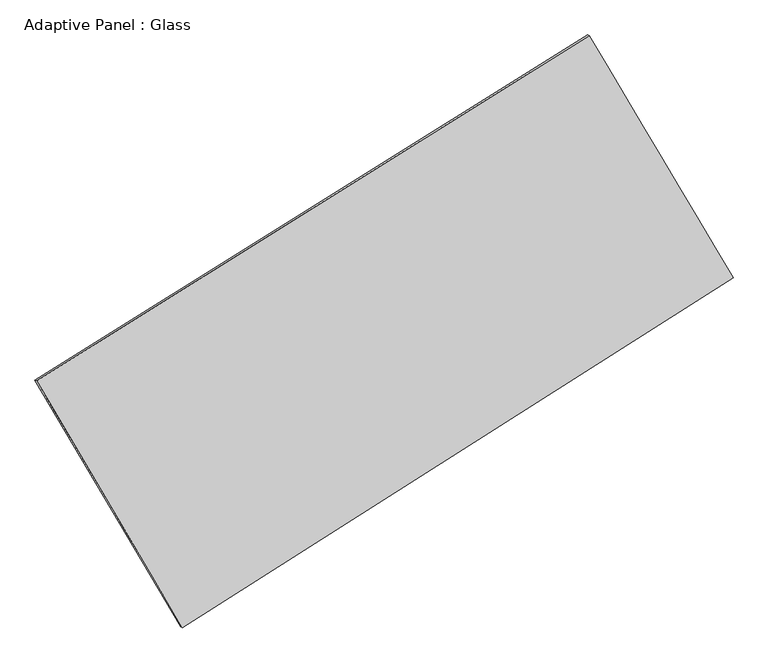
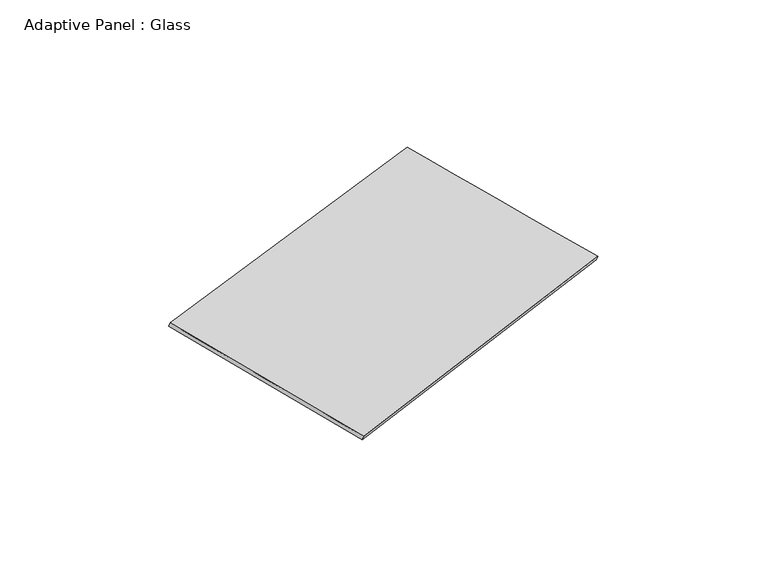
"""IFC4 building model written with IfcOpenShell, lengths in millimetres: plate geometry, Adaptive Panel : Glass."""

from ifc_helpers import new_model, si_unit, frame, origin, place, context, project, spatial, source, transform, mapped, element, save
from ifc_brep_helpers import plane_surface, spline_surface, advanced_brep


def adaptive_panel_glass_efeab886(model_context):
    return source(origin(), model_context, "Body", "AdvancedBrep", [
        advanced_brep(
        [(1156.8493883, 2515.1878271, 656.0183953), (-3743.7640105, -547.2943211, 1776.2836337), (-3729.0976546, -553.6744146, 1823.6565417), (1171.5157441, 2508.8077336, 703.3913033), (-2449.6010196, -2734.8810028, 1065.6375116), (-2434.9346638, -2741.2610963, 1113.0104196), (2433.2250636, 366.738924, -12.8170204), (2447.8914194, 360.3588305, 34.5558877)],
        [
            (0, 1),
            (1, 2),
            (2, 3),
            (3, 0),
            (1, 4),
            (4, 5),
            (5, 2),
            (4, 6),
            (6, 7),
            (7, 5),
            (6, 0),
            (3, 7),
        ],
        [
            plane_surface(frame((-1293.4573111, 983.946753, 1216.1510145), z_axis=(-0.4686447525109609, 0.8446145032029145, 0.25884056274709805), x_axis=(-0.832530320760842, -0.520263289038317, 0.19031388570696103))),
            plane_surface(frame((-3096.682515, -1641.0876619, 1420.9605727), z_axis=(-0.819700722765051, -0.5435871912037096, 0.18056492089471537), x_axis=(0.49036063043764744, -0.8288804361804928, -0.2692650638943513))),
            plane_surface(frame((-8.187978, -1184.0710394, 526.4102456), z_axis=(0.4760203271234697, -0.8399674792078429, -0.26049814210179534), x_axis=(0.8298043974148299, 0.5271000462582596, -0.1832763030660311))),
            plane_surface(frame((1795.037226, 1440.9633755, 321.6006875), z_axis=(0.8198632896186635, 0.5433129623347213, -0.18065218319946594), x_axis=(-0.4933902316922563, 0.830495067085179, 0.25854211033765073))),
            spline_surface(1, 1, [[(-3729.0976546, -553.6744146, 1823.6565417), (1171.5157441, 2508.8077336, 703.3913033)], [(-2434.9346638, -2741.2610963, 1113.0104196), (2447.8914194, 360.3588305, 34.5558877)]], [2, 2], [2, 2], [0.0, 1.0], [0.0, 1.0]),
            spline_surface(1, 1, [[(2433.2250636, 366.738924, -12.8170204), (1156.8493883, 2515.1878271, 656.0183953)], [(-2449.6010196, -2734.8810028, 1065.6375116), (-3743.7640105, -547.2943211, 1776.2836337)]], [2, 2], [2, 2], [0.0, 1.0], [0.0, 1.0]),
        ],
        [
            (0, [[1, 2, 3, 4]]),
            (1, [[5, 6, 7, -2]]),
            (2, [[8, 9, 10, -6]]),
            (3, [[11, -4, 12, -9]]),
            (4, [[-3, -7, -10, -12]]),
            (5, [[-11, -8, -5, -1]]),
        ],
    ),
    ])


if __name__ == "__main__":
    model = new_model("IFC4")
    model_context = context("Model", 3, world=origin())
    ifc_project = project(units=[si_unit("LENGTHUNIT", "METRE", prefix="MILLI")], contexts=[model_context])
    site = spatial("IfcSite", under=ifc_project)
    building = spatial("IfcBuilding", under=site)
    placement = place(None, origin())
    adaptive_panel_glass_shape = adaptive_panel_glass_efeab886(model_context)
    element("IfcPlate", 1, ObjectType="Adaptive Panel : Glass", at=placement, inside=building, context=model_context, shape_type="MappedRepresentation", body=[
        mapped(adaptive_panel_glass_shape, transform((0.0, 0.0, 0.0), x_axis=(1.0, 0.0, 0.0), y_axis=(0.0, 1.0, 0.0), z_axis=(0.0, 0.0, 1.0))),
    ])
    save(model, "model.ifc")
